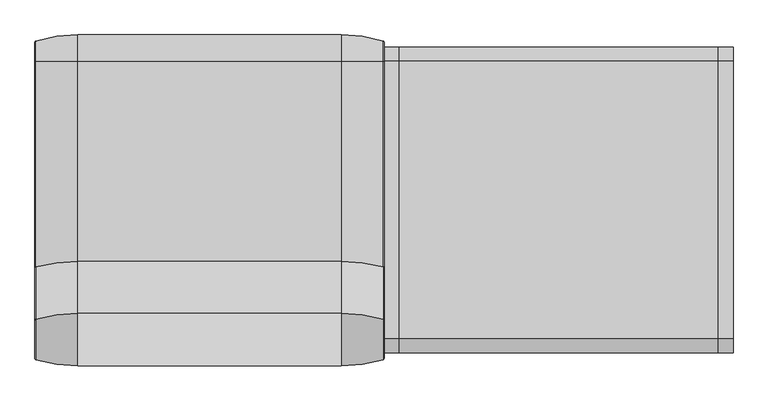
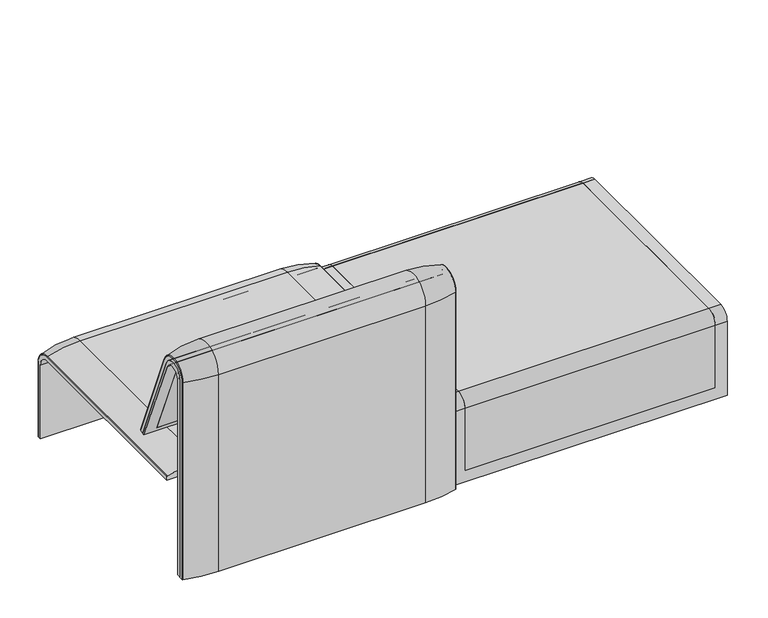
"""IFC4 building model written with IfcOpenShell, lengths in millimetres: furniture geometry."""

from ifc_helpers import new_model, si_unit, point, frame, frame_2d, origin, place, context, project, spatial, polyline, circle_curve, ellipse_curve, trimmed, segment, composite_curve, outline, extrude, source, transform, mapped, element, save
from ifc_brep_helpers import plane_surface, cylinder_surface, revolved_surface, advanced_brep


def furniture_5a15037f(model_context):
    return source(origin(), model_context, "Body", "SolidModel", [
        advanced_brep(
        [(-1223.9718733, 368.7793679, 100.5089435), (-1221.8332448, 371.6530483, 100.5089435), (-1123.9718733, 386.0043559, 100.5089435), (-507.9906244, 386.0043559, 100.5089435), (-410.1292529, 371.6530483, 100.5089435), (-407.9906244, 368.7793679, 100.5089435), (-407.9906244, 357.5, 100.5089435), (-1223.9718733, 357.5, 100.5089435), (-1223.9718733, -295.0, 377.4518019), (-1223.9718733, -295.0, 366.172434), (-407.9906244, -295.0, 366.172434), (-407.9906244, -295.0, 377.4518019), (-410.1292529, -295.0, 380.3254823), (-507.9906244, -295.0, 394.67679), (-1123.9718733, -295.0, 394.67679), (-1221.8332448, -295.0, 380.3254823), (-1223.9718733, 357.5, 333.0583003), (-1223.9718733, 324.3858663, 366.172434), (-1223.9718733, 324.3858663, 377.4518019), (-1223.9718733, 368.7793679, 333.0583003), (-407.9906244, 357.5, 333.0583003), (-1123.9718733, 386.0043559, 333.0583003), (-507.9906244, 386.0043559, 333.0583003), (-1221.8332448, 371.6530483, 333.0583003), (-407.9906244, 324.3858663, 366.172434), (-1123.9718733, 324.3858663, 394.67679), (-507.9906244, 324.3858663, 394.67679), (-1221.8332448, 324.3858663, 380.3254823), (-407.9906244, 368.7793679, 333.0583003), (-407.9906244, 324.3858663, 377.4518019), (-410.1292529, 371.6530483, 333.0583003), (-410.1292529, 324.3858663, 380.3254823)],
        [
            (0, 1, circle_curve(frame((-1220.9718733, 368.7793679, 100.5089435), z_axis=(0.0, 0.0, -1.0), x_axis=(1.0, 0.0, 0.0)), 3.0)),
            (1, 2, circle_curve(frame((-1123.9718733, 45.1710226, 100.5089435), z_axis=(0.0, 0.0, -1.0), x_axis=(0.0, -1.0, 0.0)), 340.8333333)),
            (2, 3),
            (3, 4, circle_curve(frame((-507.9906244, 45.1710226, 100.5089435), z_axis=(0.0, 0.0, -1.0), x_axis=(0.0, -1.0, 0.0)), 340.8333333)),
            (4, 5, circle_curve(frame((-410.9906244, 368.7793679, 100.5089435), z_axis=(0.0, 0.0, -1.0), x_axis=(-1.0, 0.0, 0.0)), 3.0)),
            (5, 6),
            (6, 7),
            (7, 0),
            (8, 9),
            (9, 10),
            (10, 11),
            (11, 12, circle_curve(frame((-410.9906244, -295.0, 377.4518019), z_axis=(0.0, -1.0, 0.0), x_axis=(-1.0, 0.0, 0.0)), 3.0)),
            (12, 13, circle_curve(frame((-507.9906244, -295.0, 53.8434566), z_axis=(0.0, -1.0, 0.0), x_axis=(0.0, 0.0, -1.0)), 340.8333333)),
            (13, 14),
            (14, 15, circle_curve(frame((-1123.9718733, -295.0, 53.8434566), z_axis=(0.0, -1.0, 0.0), x_axis=(0.0, 0.0, -1.0)), 340.8333333)),
            (15, 8, circle_curve(frame((-1220.9718733, -295.0, 377.4518019), z_axis=(0.0, -1.0, 0.0), x_axis=(1.0, 0.0, 0.0)), 3.0)),
            (7, 16),
            (16, 17, circle_curve(frame((-1223.9718733, 324.3858663, 333.0583003), z_axis=(1.0, 0.0, 0.0), x_axis=(0.0, 1.0, 0.0)), 33.1141337)),
            (17, 9),
            (8, 18),
            (18, 19, circle_curve(frame((-1223.9718733, 324.3858663, 333.0583003), z_axis=(-1.0, 0.0, 0.0), x_axis=(0.0, 1.0, 0.0)), 44.3935016)),
            (19, 0),
            (6, 20),
            (20, 16),
            (2, 21),
            (21, 22),
            (22, 3),
            (1, 23),
            (23, 21, circle_curve(frame((-1123.9718733, 45.1710226, 333.0583003), z_axis=(0.0, 0.0, -1.0), x_axis=(0.0, -1.0, 0.0)), 340.8333333)),
            (19, 23, circle_curve(frame((-1220.9718733, 368.7793679, 333.0583003), z_axis=(0.0, 0.0, -1.0), x_axis=(1.0, 0.0, 0.0)), 3.0)),
            (24, 17),
            (20, 24, circle_curve(frame((-407.9906244, 324.3858663, 333.0583003), z_axis=(1.0, 0.0, 0.0), x_axis=(0.0, 1.0, 0.0)), 33.1141337)),
            (25, 26),
            (26, 22, circle_curve(frame((-507.9906244, 324.3858663, 333.0583003), z_axis=(-1.0, 0.0, 0.0), x_axis=(0.0, 1.0, 0.0)), 61.6184897)),
            (21, 25, circle_curve(frame((-1123.9718733, 324.3858663, 333.0583003), z_axis=(1.0, 0.0, 0.0), x_axis=(0.0, 1.0, 0.0)), 61.6184897)),
            (27, 25, circle_curve(frame((-1123.9718733, 324.3858663, 53.8434566), z_axis=(0.0, 1.0, 0.0), x_axis=(0.0, 0.0, -1.0)), 340.8333333)),
            (23, 27, circle_curve(frame((-1221.8332448, 324.3858663, 333.0583003), z_axis=(1.0, 0.0, 0.0), x_axis=(0.0, 1.0, 0.0)), 47.267182)),
            (18, 27, circle_curve(frame((-1220.9718733, 324.3858663, 377.4518019), z_axis=(0.0, 1.0, 0.0), x_axis=(1.0, 0.0, 0.0)), 3.0)),
            (24, 10),
            (25, 14),
            (13, 26),
            (27, 15),
            (5, 28),
            (28, 29, circle_curve(frame((-407.9906244, 324.3858663, 333.0583003), z_axis=(1.0, 0.0, 0.0), x_axis=(0.0, 1.0, 0.0)), 44.3935016)),
            (29, 11),
            (4, 30),
            (30, 28, circle_curve(frame((-410.9906244, 368.7793679, 333.0583003), z_axis=(0.0, 0.0, -1.0), x_axis=(-1.0, 0.0, 0.0)), 3.0)),
            (22, 30, circle_curve(frame((-507.9906244, 45.1710226, 333.0583003), z_axis=(0.0, 0.0, -1.0), x_axis=(0.0, -1.0, 0.0)), 340.8333333)),
            (31, 29, circle_curve(frame((-410.9906244, 324.3858663, 377.4518019), z_axis=(0.0, 1.0, 0.0), x_axis=(-1.0, 0.0, 0.0)), 3.0)),
            (30, 31, circle_curve(frame((-410.1292529, 324.3858663, 333.0583003), z_axis=(1.0, 0.0, 0.0), x_axis=(0.0, 1.0, 0.0)), 47.267182)),
            (26, 31, circle_curve(frame((-507.9906244, 324.3858663, 53.8434566), z_axis=(0.0, 1.0, 0.0), x_axis=(0.0, 0.0, -1.0)), 340.8333333)),
            (31, 12),
        ],
        [
            plane_surface(frame((-1223.9718733, 357.5, 100.5089435), z_axis=(0.0, 0.0, -1.0), x_axis=(1.0, 0.0, 0.0))),
            plane_surface(frame((-1223.9718733, -295.0, 366.172434), z_axis=(0.0, -1.0, 0.0), x_axis=(1.0, 0.0, 0.0))),
            plane_surface(frame((-1223.9718733, 368.7793679, 100.5089435), z_axis=(-1.0, 0.0, 0.0), x_axis=(0.0, 0.0, 1.0))),
            plane_surface(frame((-1223.9718733, 357.5, 100.5089435), z_axis=(0.0, -1.0, 0.0), x_axis=(0.0, 0.0, 1.0))),
            plane_surface(frame((-507.9906244, 386.0043559, 100.5089435), z_axis=(0.0, 1.0, 0.0), x_axis=(0.0, 0.0, 1.0))),
            cylinder_surface(frame((-1123.9718733, 45.1710226, 100.5089435), z_axis=(0.0, 0.0, -1.0), x_axis=(0.0, -1.0, 0.0)), 340.8333333),
            cylinder_surface(frame((-1220.9718733, 368.7793679, 100.5089435), z_axis=(0.0, 0.0, -1.0), x_axis=(1.0, 0.0, 0.0)), 3.0),
            revolved_surface(polyline([(-1223.9718733, 357.5, 333.0583003), (-407.9906244, 357.5, 333.0583003)]), (-1223.9718733, 324.3858663, 333.0583003), (-1.0, 0.0, 0.0)),
            cylinder_surface(frame((-1223.9718733, 324.3858663, 333.0583003), z_axis=(-1.0, 0.0, 0.0), x_axis=(0.0, 1.0, 0.0)), 61.6184897),
            revolved_surface(trimmed(ellipse_curve(frame((-1123.9718733, 45.1710226, 333.0583003), z_axis=(0.0, 0.0, 1.0), x_axis=(0.0, -1.0, 0.0)), 340.8333333, 340.8333333), [point((-1123.9718733, 386.0043559, 333.0583003))], [point((-1221.8332448, 371.6530483, 333.0583003))], True, "CARTESIAN"), (-1223.9718733, 324.3858663, 333.0583003), (-1.0, 0.0, 0.0)),
            revolved_surface(trimmed(ellipse_curve(frame((-1220.9718733, 368.7793679, 333.0583003), z_axis=(0.0, 0.0, 1.0), x_axis=(1.0, 0.0, 0.0)), 3.0, 3.0), [point((-1221.8332448, 371.6530483, 333.0583003))], [point((-1223.9718733, 368.7793679, 333.0583003))], True, "CARTESIAN"), (-1223.9718733, 324.3858663, 333.0583003), (-1.0, 0.0, 0.0)),
            plane_surface(frame((-1223.9718733, 324.3858663, 366.172434), z_axis=(0.0, 0.0, -1.0), x_axis=(0.0, -1.0, 0.0))),
            plane_surface(frame((-507.9906244, 324.3858663, 394.67679), z_axis=(0.0, 0.0, 1.0), x_axis=(0.0, -1.0, 0.0))),
            cylinder_surface(frame((-1123.9718733, 324.3858663, 53.8434566), z_axis=(0.0, 1.0, 0.0), x_axis=(0.0, 0.0, -1.0)), 340.8333333),
            cylinder_surface(frame((-1220.9718733, 324.3858663, 377.4518019), z_axis=(0.0, 1.0, 0.0), x_axis=(1.0, 0.0, 0.0)), 3.0),
            plane_surface(frame((-407.9906244, 357.5, 100.5089435), z_axis=(1.0, 0.0, 0.0), x_axis=(0.0, 0.0, 1.0))),
            cylinder_surface(frame((-410.9906244, 368.7793679, 100.5089435), z_axis=(0.0, 0.0, -1.0), x_axis=(-1.0, 0.0, 0.0)), 3.0),
            cylinder_surface(frame((-507.9906244, 45.1710226, 100.5089435), z_axis=(0.0, 0.0, -1.0), x_axis=(0.0, -1.0, 0.0)), 340.8333333),
            revolved_surface(trimmed(ellipse_curve(frame((-410.9906244, 368.7793679, 333.0583003), z_axis=(0.0, 0.0, 1.0), x_axis=(-1.0, 0.0, 0.0)), 3.0, 3.0), [point((-407.9906244, 368.7793679, 333.0583003))], [point((-410.1292529, 371.6530483, 333.0583003))], True, "CARTESIAN"), (-1223.9718733, 324.3858663, 333.0583003), (-1.0, 0.0, 0.0)),
            revolved_surface(trimmed(ellipse_curve(frame((-507.9906244, 45.1710226, 333.0583003), z_axis=(0.0, 0.0, 1.0), x_axis=(0.0, -1.0, 0.0)), 340.8333333, 340.8333333), [point((-410.1292529, 371.6530483, 333.0583003))], [point((-507.9906244, 386.0043559, 333.0583003))], True, "CARTESIAN"), (-1223.9718733, 324.3858663, 333.0583003), (-1.0, 0.0, 0.0)),
            cylinder_surface(frame((-410.9906244, 324.3858663, 377.4518019), z_axis=(0.0, 1.0, 0.0), x_axis=(-1.0, 0.0, 0.0)), 3.0),
            cylinder_surface(frame((-507.9906244, 324.3858663, 53.8434566), z_axis=(0.0, 1.0, 0.0), x_axis=(0.0, 0.0, -1.0)), 340.8333333),
        ],
        [
            (0, [[1, 2, 3, 4, 5, 6, 7, 8]]),
            (1, [[9, 10, 11, 12, 13, 14, 15, 16]]),
            (2, [[17, 18, 19, -9, 20, 21, 22, -8]]),
            (3, [[23, 24, -17, -7]]),
            (4, [[25, 26, 27, -3]]),
            (5, [[28, 29, -25, -2]]),
            (6, [[-22, 30, -28, -1]]),
            (7, [[31, -18, -24, 32]]),
            (8, [[33, 34, -26, 35]]),
            (9, [[36, -35, -29, 37]]),
            (10, [[38, -37, -30, -21]]),
            (11, [[39, -10, -19, -31]]),
            (12, [[40, -14, 41, -33]]),
            (13, [[42, -15, -40, -36]]),
            (14, [[-20, -16, -42, -38]]),
            (15, [[43, 44, 45, -11, -39, -32, -23, -6]]),
            (16, [[46, 47, -43, -5]]),
            (17, [[-27, 48, -46, -4]]),
            (18, [[49, -44, -47, 50]]),
            (19, [[51, -50, -48, -34]]),
            (20, [[52, -12, -45, -49]]),
            (21, [[-41, -13, -52, -51]]),
        ],
    ),
        advanced_brep(
        [(-407.9740803, -351.0000061, 101.8476716), (-407.9740803, -351.0000061, 712.9272623), (-407.9740803, -296.2720241, 723.9759107), (-407.9740803, -175.0204081, 435.9866665), (-407.9740803, -170.1966807, 437.98305), (-407.9740803, -292.4403877, 733.7122262), (-407.9740803, -359.7858817, 720.3417731), (-407.9740803, -359.7858817, 101.8476716), (-1223.9553291, -351.0000061, 101.8476716), (-1223.9553291, -359.7858817, 101.8476716), (-1223.9553291, -359.7858817, 720.3417731), (-1223.9553291, -292.4403877, 733.7122262), (-1223.9553291, -170.1966807, 437.98305), (-1223.9553291, -175.0204081, 435.9866665), (-1223.9553291, -296.2458652, 723.9869215), (-1223.9553291, -351.0000061, 712.9272623), (-1189.0718733, -292.4403877, 733.7122262), (-1189.0718733, -176.0980387, 452.25948), (-442.8906244, -176.0980387, 452.25948), (-442.8906244, -292.4403877, 733.7122262), (-442.8906244, -296.2458652, 723.9869215), (-442.8906244, -181.0136548, 450.2250668), (-1189.0718733, -181.0136548, 450.2250668), (-1189.0718733, -296.2458652, 723.9869215), (-1189.0718733, -351.0000061, 712.9272623), (-1189.0718733, -351.0000061, 135.3766997), (-442.8906244, -351.0000061, 135.3766997), (-442.8906244, -351.0000061, 712.9272623), (-442.8906244, -359.7858817, 720.3417731), (-442.8906244, -359.7858817, 135.3766997), (-1189.0718733, -359.7858817, 135.3766997), (-1189.0718733, -359.7858817, 720.3417731)],
        [
            (0, 1),
            (1, 2, circle_curve(frame((-407.9740803, -322.520748, 712.9272623), z_axis=(-1.0, 0.0, 0.0), x_axis=(0.0, 1.0, 0.0)), 28.479258)),
            (2, 3),
            (3, 4),
            (4, 5),
            (5, 6, circle_curve(frame((-407.9740803, -324.7858817, 720.3417731), z_axis=(1.0, 0.0, 0.0), x_axis=(0.0, 1.0, 0.0)), 35.0)),
            (6, 7),
            (7, 0),
            (8, 9),
            (9, 10),
            (10, 11, circle_curve(frame((-1223.9553291, -324.7858817, 720.3417731), z_axis=(-1.0, 0.0, 0.0), x_axis=(0.0, 1.0, 0.0)), 35.0)),
            (11, 12),
            (12, 13),
            (13, 14),
            (14, 15, circle_curve(frame((-1223.9553291, -322.520748, 712.9272623), z_axis=(1.0, 0.0, 0.0), x_axis=(0.0, 1.0, 0.0)), 28.479258)),
            (15, 8),
            (4, 12),
            (11, 16),
            (16, 17),
            (17, 18),
            (18, 19),
            (19, 5),
            (3, 13),
            (2, 20),
            (20, 21),
            (21, 22),
            (22, 23),
            (23, 14),
            (0, 8),
            (15, 24),
            (24, 25),
            (25, 26),
            (26, 27),
            (27, 1),
            (7, 9),
            (6, 28),
            (28, 29),
            (29, 30),
            (30, 31),
            (31, 10),
            (19, 28, circle_curve(frame((-442.8906244, -324.7858817, 720.3417731), z_axis=(1.0, 0.0, 0.0), x_axis=(0.0, 1.0, 0.0)), 35.0)),
            (31, 16, circle_curve(frame((-1189.0718733, -324.7858817, 720.3417731), z_axis=(-1.0, 0.0, 0.0), x_axis=(0.0, 1.0, 0.0)), 35.0)),
            (27, 20, circle_curve(frame((-442.8906244, -322.520748, 712.9272623), z_axis=(-1.0, 0.0, 0.0), x_axis=(0.0, 1.0, 0.0)), 28.479258)),
            (23, 24, circle_curve(frame((-1189.0718733, -322.520748, 712.9272623), z_axis=(1.0, 0.0, 0.0), x_axis=(0.0, 1.0, 0.0)), 28.479258)),
            (26, 29),
            (18, 21),
            (22, 17),
            (30, 25),
        ],
        [
            plane_surface(frame((-407.9740803, -359.7858817, 101.8476716), z_axis=(1.0, 0.0, 0.0), x_axis=(0.0, -1.0, 0.0))),
            plane_surface(frame((-1223.9553291, -359.7858817, 101.8476716), z_axis=(-1.0, 0.0, 0.0), x_axis=(0.0, 1.0, 0.0))),
            plane_surface(frame((-407.9740803, -292.4403877, 733.7122262), z_axis=(0.0, 0.9241569717933176, 0.3820129467515535), x_axis=(-1.0, 0.0, 0.0))),
            plane_surface(frame((-407.9740803, -170.1966807, 437.98305), z_axis=(0.0, 0.38241039441983893, -0.9239925812687368), x_axis=(-1.0, 0.0, 0.0))),
            plane_surface(frame((-407.9740803, -175.0204081, 435.9866665), z_axis=(0.0, -0.921678643444566, -0.3879542218073993), x_axis=(-1.0, 0.0, 0.0))),
            plane_surface(frame((-407.9740803, -351.0000061, 712.9272623), z_axis=(0.0, 1.0, 0.0), x_axis=(-1.0, 0.0, 0.0))),
            plane_surface(frame((-407.9740803, -351.0000061, 101.8476716), z_axis=(0.0, 0.0, -1.0), x_axis=(-1.0, 0.0, 0.0))),
            plane_surface(frame((-407.9740803, -359.7858817, 101.8476716), z_axis=(0.0, -1.0, 0.0), x_axis=(-1.0, 0.0, 0.0))),
            cylinder_surface(frame((-1223.9553291, -324.7858817, 720.3417731), z_axis=(1.0, 0.0, 0.0), x_axis=(0.0, 1.0, 0.0)), 35.0),
            revolved_surface(polyline([(-442.8906244, -294.04149, 712.9272623), (-407.97408029999997, -294.04149, 712.9272623)]), (-1223.9553291, -322.520748, 712.9272623), (-1.0, 0.0, 0.0)),
            revolved_surface(polyline([(-1223.9553291, -294.04149, 712.9272623), (-1189.0718733, -294.04149, 712.9272623)]), (-1223.9553291, -322.520748, 712.9272623), (-1.0, 0.0, 0.0)),
            plane_surface(frame((-442.8906244, -359.7858817, 135.3766997), z_axis=(-1.0, 0.0, 0.0), x_axis=(0.0, -1.0, 0.0))),
            plane_surface(frame((-1189.0718733, -359.7858817, 135.3766997), z_axis=(1.0, 0.0, 0.0), x_axis=(0.0, 1.0, 0.0))),
            plane_surface(frame((-442.8906244, -166.9120641, 456.0612553), z_axis=(0.0, -0.38241039441982605, 0.9239925812687422), x_axis=(-1.0, 0.0, 0.0))),
            plane_surface(frame((-442.8906244, -344.7858817, 135.3766997), z_axis=(0.0, 0.0, 1.0), x_axis=(-1.0, 0.0, 0.0))),
        ],
        [
            (0, [[1, 2, 3, 4, 5, 6, 7, 8]]),
            (1, [[9, 10, 11, 12, 13, 14, 15, 16]]),
            (2, [[17, -12, 18, 19, 20, 21, 22, -5]]),
            (3, [[23, -13, -17, -4]]),
            (4, [[24, 25, 26, 27, 28, -14, -23, -3]]),
            (5, [[29, -16, 30, 31, 32, 33, 34, -1]]),
            (6, [[35, -9, -29, -8]]),
            (7, [[36, 37, 38, 39, 40, -10, -35, -7]]),
            (8, [[-22, 41, -36, -6]]),
            (8, [[-40, 42, -18, -11]]),
            (9, [[-34, 43, -24, -2]]),
            (10, [[-28, 44, -30, -15]]),
            (11, [[-25, -43, -33, 45, -37, -41, -21, 46]]),
            (12, [[-31, -44, -27, 47, -19, -42, -39, 48]]),
            (13, [[-20, -47, -26, -46]]),
            (14, [[-32, -48, -38, -45]]),
        ],
    ),
        advanced_brep(
        [(-442.8906244, -351.0000061, 135.3766997), (-442.8906244, -351.0000061, 712.9272623), (-442.8906244, -296.2720241, 723.9759107), (-442.8906244, -181.0136548, 450.2250668), (-442.8906244, -176.0980387, 452.25948), (-442.8906244, -292.4403877, 733.7122262), (-442.8906244, -359.7858817, 720.3417731), (-442.8906244, -359.7858817, 135.3766997), (-1189.0718733, -351.0000061, 135.3766997), (-1189.0718733, -359.7858817, 135.3766997), (-1189.0718733, -359.7858817, 720.3417731), (-1189.0718733, -292.4403877, 733.7122262), (-1189.0718733, -176.0980387, 452.25948), (-1189.0718733, -181.0136548, 450.2250668), (-1189.0718733, -296.2458652, 723.9869215), (-1189.0718733, -351.0000061, 712.9272623)],
        [
            (0, 1),
            (1, 2, circle_curve(frame((-442.8906244, -322.520748, 712.9272623), z_axis=(-1.0, 0.0, 0.0), x_axis=(0.0, 1.0, 0.0)), 28.479258)),
            (2, 3),
            (3, 4),
            (4, 5),
            (5, 6, circle_curve(frame((-442.8906244, -324.7858817, 720.3417731), z_axis=(1.0, 0.0, 0.0), x_axis=(0.0, 1.0, 0.0)), 35.0)),
            (6, 7),
            (7, 0),
            (8, 9),
            (9, 10),
            (10, 11, circle_curve(frame((-1189.0718733, -324.7858817, 720.3417731), z_axis=(-1.0, 0.0, 0.0), x_axis=(0.0, 1.0, 0.0)), 35.0)),
            (11, 12),
            (12, 13),
            (13, 14),
            (14, 15, circle_curve(frame((-1189.0718733, -322.520748, 712.9272623), z_axis=(1.0, 0.0, 0.0), x_axis=(0.0, 1.0, 0.0)), 28.479258)),
            (15, 8),
            (4, 12),
            (11, 5),
            (3, 13),
            (2, 14),
            (0, 8),
            (15, 1),
            (7, 9),
            (6, 10),
        ],
        [
            plane_surface(frame((-442.8906244, -359.7858817, 135.3766997), z_axis=(1.0, 0.0, 0.0), x_axis=(0.0, -1.0, 0.0))),
            plane_surface(frame((-1189.0718733, -359.7858817, 135.3766997), z_axis=(-1.0, 0.0, 0.0), x_axis=(0.0, 1.0, 0.0))),
            plane_surface(frame((-442.8906244, -292.4403877, 733.7122262), z_axis=(0.0, 0.9241569717933176, 0.3820129467515535), x_axis=(-1.0, 0.0, 0.0))),
            plane_surface(frame((-442.8906244, -176.0980387, 452.25948), z_axis=(0.0, 0.38241039441982716, -0.9239925812687417), x_axis=(-1.0, 0.0, 0.0))),
            plane_surface(frame((-442.8906244, -181.0136548, 450.2250668), z_axis=(0.0, -0.921678643444566, -0.3879542218073993), x_axis=(-1.0, 0.0, 0.0))),
            plane_surface(frame((-442.8906244, -351.0000061, 712.9272623), z_axis=(0.0, 1.0, 0.0), x_axis=(-1.0, 0.0, 0.0))),
            plane_surface(frame((-442.8906244, -351.0000061, 135.3766997), z_axis=(0.0, 0.0, -1.0), x_axis=(-1.0, 0.0, 0.0))),
            plane_surface(frame((-442.8906244, -359.7858817, 135.3766997), z_axis=(0.0, -1.0, 0.0), x_axis=(-1.0, 0.0, 0.0))),
            cylinder_surface(frame((-1189.0718733, -324.7858817, 720.3417731), z_axis=(1.0, 0.0, 0.0), x_axis=(0.0, 1.0, 0.0)), 35.0),
            revolved_surface(polyline([(-1189.0718733, -294.04149, 712.9272623), (-442.8906244, -294.04149, 712.9272623)]), (-1189.0718733, -322.520748, 712.9272623), (-1.0, 0.0, 0.0)),
        ],
        [
            (0, [[1, 2, 3, 4, 5, 6, 7, 8]]),
            (1, [[9, 10, 11, 12, 13, 14, 15, 16]]),
            (2, [[17, -12, 18, -5]]),
            (3, [[19, -13, -17, -4]]),
            (4, [[20, -14, -19, -3]]),
            (5, [[21, -16, 22, -1]]),
            (6, [[23, -9, -21, -8]]),
            (7, [[24, -10, -23, -7]]),
            (8, [[-18, -11, -24, -6]]),
            (9, [[-22, -15, -20, -2]]),
        ],
    ),
        extrude(outline(composite_curve([segment(polyline([(-305.0000061, 349.9223263), (-285.0000061, 349.9223263)]), True, "CONTINUOUS"), segment(trimmed(circle_curve(frame_2d((-285.0000061, 359.9223263)), 10.0), [point((-285.0000061, 349.9223263))], [point((-275.0000061, 359.9223263))], True, "CARTESIAN"), True, "CONTINUOUS"), segment(polyline([(-275.0000061, 359.9223263), (-270.0000061, 359.9223263), (-270.0000061, 299.9223263), (-309.4476, 299.9223263)]), True, "CONTINUOUS"), segment(trimmed(circle_curve(frame_2d((-309.4476, 269.9223263)), 30.0), [point((-309.4476, 299.9223263))], [point((-339.4064861, 271.492405))], True, "CARTESIAN"), True, "CONTINUOUS"), segment(polyline([(-339.4064861, 271.492405), (-343.3075759, 197.0551771), (-351.0000061, 197.0551771), (-351.0000061, 712.9272623)]), True, "CONTINUOUS"), segment(trimmed(circle_curve(frame_2d((-322.520748, 712.9272623)), 28.479258), [point((-351.0000061, 712.9272623))], [point((-296.3054528, 724.0549949))], False, "CARTESIAN"), True, "CONTINUOUS"), segment(polyline([(-296.3054528, 724.0549949), (-213.7507451, 529.5682915), (-222.2725218, 526.5505721), (-238.0355877, 560.3545758)]), True, "CONTINUOUS"), segment(trimmed(circle_curve(frame_2d((-251.6302045, 554.0153019)), 15.0), [point((-238.0355877, 560.3545758))], [point((-257.4911714, 567.8228747))], True, "CARTESIAN"), True, "CONTINUOUS"), segment(polyline([(-257.4911714, 567.8228747), (-316.7219399, 542.6809051)]), True, "CONTINUOUS"), segment(trimmed(circle_curve(frame_2d((-305.0000061, 515.0657595)), 30.0), [point((-316.7219399, 542.6809051))], [point((-335.0000061, 515.0657595))], True, "CARTESIAN"), True, "CONTINUOUS"), segment(polyline([(-335.0000061, 515.0657595), (-335.0000061, 379.9223263)]), True, "CONTINUOUS"), segment(trimmed(circle_curve(frame_2d((-305.0000061, 379.9223263)), 30.0), [point((-335.0000061, 379.9223263))], [point((-305.0000061, 349.9223263))], True, "CARTESIAN"), True, "CONTINUOUS")], self_intersect=False), holes=[composite_curve([segment(trimmed(circle_curve(frame_2d((-319.9867182, 576.3274105)), 17.5132879), [point((-337.5000061, 576.3274105))], [point((-314.1406626, 559.8186587))], True, "CARTESIAN"), True, "CONTINUOUS"), segment(polyline([(-314.1406626, 559.8186587), (-265.0756376, 577.1934953)]), True, "CONTINUOUS"), segment(trimmed(circle_curve(frame_2d((-271.7517748, 596.0463251)), 20.0), [point((-265.0756376, 577.1934953))], [point((-253.6256191, 604.4986904))], True, "CARTESIAN"), True, "CONTINUOUS"), segment(polyline([(-253.6256191, 604.4986904), (-308.9053893, 723.0465402)]), True, "CONTINUOUS"), segment(trimmed(circle_curve(frame_2d((-322.5000061, 716.7072663)), 15.0), [point((-308.9053893, 723.0465402))], [point((-337.5000061, 716.7072663))], True, "CARTESIAN"), True, "CONTINUOUS"), segment(polyline([(-337.5000061, 716.7072663), (-337.5000061, 576.3274105)]), True, "CONTINUOUS")], self_intersect=False)]), frame((-570.986452, 0.0, 0.0), z_axis=(1.0, 0.0, 0.0), x_axis=(0.0, 1.0, 0.0)), (0.0, 0.0, 1.0), 40.0),
        advanced_brep(
        [(-507.9740803, -388.2902376, 100.5089435), (-1123.9884174, -388.2902376, 100.5089435), (-1221.8497889, -373.93893, 100.5089435), (-1223.9884174, -371.0652495, 100.5089435), (-1223.9884174, -359.7858817, 100.5089435), (-407.9740803, -359.7858817, 100.5089435), (-407.9740803, -371.0652495, 100.5089435), (-410.1127088, -373.93893, 100.5089435), (-507.9740803, -388.2902376, 720.3417731), (-1123.9884174, -388.2902376, 720.3417731), (-410.1127088, -373.93893, 720.3417731), (-407.9740803, -371.0652495, 720.3417731), (-407.9740803, -359.7858817, 720.3417731), (-407.9740803, -292.4403877, 733.7122262), (-407.9740803, -170.1962447, 437.9819952), (-407.9740803, -159.7723383, 442.2908598), (-407.9740803, -282.0164812, 738.0210907), (-1223.9884174, -359.7858817, 720.3417731), (-507.9740803, -143.8537454, 448.8710282), (-410.1127088, -157.1166065, 443.3886429), (-1223.9884174, -170.1962447, 437.9819952), (-1223.9884174, -159.7723383, 442.2908598), (-1221.8497889, -157.1166065, 443.3886429), (-1123.9884174, -143.8537454, 448.8710282), (-507.9740803, -266.0978884, 744.6012592), (-1123.9884174, -266.0978884, 744.6012592), (-410.1127088, -279.3607494, 739.1188739), (-1223.9884174, -292.4403877, 733.7122262), (-1223.9884174, -371.0652495, 720.3417731), (-1223.9884174, -282.0164812, 738.0210907), (-1221.8497889, -373.93893, 720.3417731), (-1221.8497889, -279.3607494, 739.1188739)],
        [
            (0, 1),
            (1, 2, circle_curve(frame((-1123.9884174, -47.4569043, 100.5089435), z_axis=(0.0, 0.0, -1.0), x_axis=(0.0, 1.0, 0.0)), 340.8333333)),
            (2, 3, circle_curve(frame((-1220.9884174, -371.0652495, 100.5089435), z_axis=(0.0, 0.0, -1.0), x_axis=(-1.0, 0.0, 0.0)), 3.0)),
            (3, 4),
            (4, 5),
            (5, 6),
            (6, 7, circle_curve(frame((-410.9740803, -371.0652495, 100.5089435), z_axis=(0.0, 0.0, -1.0), x_axis=(1.0, 0.0, 0.0)), 3.0)),
            (7, 0, circle_curve(frame((-507.9740803, -47.4569043, 100.5089435), z_axis=(0.0, 0.0, -1.0), x_axis=(0.0, 1.0, 0.0)), 340.8333333)),
            (0, 8),
            (8, 9),
            (9, 1),
            (7, 10),
            (10, 8, circle_curve(frame((-507.9740803, -47.4569043, 720.3417731), z_axis=(0.0, 0.0, -1.0), x_axis=(0.0, 1.0, 0.0)), 340.8333333)),
            (6, 11),
            (11, 10, circle_curve(frame((-410.9740803, -371.0652495, 720.3417731), z_axis=(0.0, 0.0, -1.0), x_axis=(1.0, 0.0, 0.0)), 3.0)),
            (5, 12),
            (12, 13, circle_curve(frame((-407.9740803, -324.7858817, 720.3417731), z_axis=(-1.0, 0.0, 0.0), x_axis=(0.0, -1.0, 0.0)), 35.0)),
            (13, 14),
            (14, 15),
            (15, 16),
            (16, 11, circle_curve(frame((-407.9740803, -324.7858817, 720.3417731), z_axis=(1.0, 0.0, 0.0), x_axis=(0.0, -1.0, 0.0)), 46.2793679)),
            (4, 17),
            (17, 12),
            (18, 19, circle_curve(frame((-507.9740803, -458.8372467, 318.6682822), z_axis=(0.0, 0.38201294675155345, -0.9241569717933176), x_axis=(0.0, -0.9241569717933176, -0.38201294675155345)), 340.8333333)),
            (19, 15, circle_curve(frame((-410.9740803, -159.7723383, 442.2908598), z_axis=(0.0, 0.38201294675155345, -0.9241569717933176), x_axis=(1.0, 0.0, 0.0)), 3.0)),
            (14, 20),
            (20, 21),
            (21, 22, circle_curve(frame((-1220.9884174, -159.7723383, 442.2908598), z_axis=(0.0, 0.38201294675155345, -0.9241569717933176), x_axis=(-1.0, 0.0, 0.0)), 3.0)),
            (22, 23, circle_curve(frame((-1123.9884174, -458.8372467, 318.6682822), z_axis=(0.0, 0.38201294675155345, -0.9241569717933176), x_axis=(0.0, -0.9241569717933176, -0.38201294675155345)), 340.8333333)),
            (23, 18),
            (24, 25),
            (25, 9, circle_curve(frame((-1123.9884174, -324.7858817, 720.3417731), z_axis=(1.0, 0.0, 0.0), x_axis=(0.0, -1.0, 0.0)), 63.5043559)),
            (8, 24, circle_curve(frame((-507.9740803, -324.7858817, 720.3417731), z_axis=(-1.0, 0.0, 0.0), x_axis=(0.0, -1.0, 0.0)), 63.5043559)),
            (26, 24, circle_curve(frame((-507.9740803, -581.0813896, 614.3985132), z_axis=(0.0, -0.3820129467515544, 0.9241569717933172), x_axis=(0.0, -0.9241569717933172, -0.3820129467515544)), 340.8333333)),
            (10, 26, circle_curve(frame((-410.1127088, -324.7858817, 720.3417731), z_axis=(-1.0, 0.0, 0.0), x_axis=(0.0, -1.0, 0.0)), 49.1530483)),
            (16, 26, circle_curve(frame((-410.9740803, -282.0164812, 738.0210907), z_axis=(0.0, -0.38201294675155356, 0.9241569717933176), x_axis=(1.0, 0.0, 0.0)), 3.0)),
            (27, 13),
            (17, 27, circle_curve(frame((-1223.9884174, -324.7858817, 720.3417731), z_axis=(-1.0, 0.0, 0.0), x_axis=(0.0, -1.0, 0.0)), 35.0)),
            (24, 18),
            (23, 25),
            (26, 19),
            (27, 20),
            (3, 28),
            (28, 29, circle_curve(frame((-1223.9884174, -324.7858817, 720.3417731), z_axis=(-1.0, 0.0, 0.0), x_axis=(0.0, -1.0, 0.0)), 46.2793679)),
            (29, 21),
            (2, 30),
            (30, 28, circle_curve(frame((-1220.9884174, -371.0652495, 720.3417731), z_axis=(0.0, 0.0, -1.0), x_axis=(-1.0, 0.0, 0.0)), 3.0)),
            (9, 30, circle_curve(frame((-1123.9884174, -47.4569043, 720.3417731), z_axis=(0.0, 0.0, -1.0), x_axis=(0.0, 1.0, 0.0)), 340.8333333)),
            (31, 29, circle_curve(frame((-1220.9884174, -282.0164812, 738.0210907), z_axis=(0.0, -0.3820129467515556, 0.9241569717933167), x_axis=(-1.0, 0.0, 0.0)), 3.0)),
            (30, 31, circle_curve(frame((-1221.8497889, -324.7858817, 720.3417731), z_axis=(-1.0, 0.0, 0.0), x_axis=(0.0, -1.0, 0.0)), 49.1530483)),
            (25, 31, circle_curve(frame((-1123.9884174, -581.0813896, 614.3985132), z_axis=(0.0, -0.382012946751556, 0.9241569717933165), x_axis=(0.0, -0.9241569717933165, -0.382012946751556)), 340.8333333)),
            (31, 22),
        ],
        [
            plane_surface(frame((-811.2162256, -359.7858817, 100.5089435), z_axis=(0.0, 0.0, -1.0), x_axis=(1.0, 0.0, 0.0))),
            plane_surface(frame((-1123.9884174, -388.2902376, 100.5089435), z_axis=(0.0, -1.0, 0.0), x_axis=(0.0, 0.0, 1.0))),
            cylinder_surface(frame((-507.9740803, -47.4569043, 100.5089435), z_axis=(0.0, 0.0, -1.0), x_axis=(0.0, 1.0, 0.0)), 340.8333333),
            cylinder_surface(frame((-410.9740803, -371.0652495, 100.5089435), z_axis=(0.0, 0.0, -1.0), x_axis=(1.0, 0.0, 0.0)), 3.0),
            plane_surface(frame((-407.9740803, -371.0652495, 100.5089435), z_axis=(1.0, 0.0, 0.0), x_axis=(0.0, 0.0, 1.0))),
            plane_surface(frame((-407.9740803, -359.7858817, 100.5089435), z_axis=(0.0, 1.0, 0.0), x_axis=(0.0, 0.0, 1.0))),
            plane_surface(frame((-811.2162256, -170.1962447, 437.9819952), z_axis=(0.0, 0.38201294675155345, -0.9241569717933176), x_axis=(1.0, 0.0, 0.0))),
            cylinder_surface(frame((-811.2162256, -324.7858817, 720.3417731), z_axis=(1.0, 0.0, 0.0), x_axis=(0.0, -1.0, 0.0)), 63.5043559),
            revolved_surface(trimmed(ellipse_curve(frame((-507.9740803, -47.4569043, 720.3417731), z_axis=(0.0, 0.0, 1.0), x_axis=(0.0, 1.0, 0.0)), 340.8333333, 340.8333333), [point((-507.9740803, -388.2902376, 720.3417731))], [point((-410.1127088, -373.93893, 720.3417731))], True, "CARTESIAN"), (-811.2162256, -324.7858817, 720.3417731), (1.0, 0.0, 0.0)),
            revolved_surface(trimmed(ellipse_curve(frame((-410.9740803, -371.0652495, 720.3417731), z_axis=(0.0, 0.0, 1.0), x_axis=(1.0, 0.0, 0.0)), 3.0, 3.0), [point((-410.1127088, -373.93893, 720.3417731))], [point((-407.9740803, -371.0652495, 720.3417731))], True, "CARTESIAN"), (-811.2162256, -324.7858817, 720.3417731), (1.0, 0.0, 0.0)),
            revolved_surface(polyline([(-407.9740803, -359.7858817, 720.3417731), (-1223.9884174, -359.7858817, 720.3417731)]), (-811.2162256, -324.7858817, 720.3417731), (1.0, 0.0, 0.0)),
            plane_surface(frame((-1123.9884174, -266.0978884, 744.6012592), z_axis=(0.0, 0.9241569717933176, 0.38201294675155356), x_axis=(0.0, 0.38201294675155356, -0.9241569717933176))),
            cylinder_surface(frame((-507.9740803, -581.0813896, 614.3985132), z_axis=(0.0, -0.38201294675155345, 0.9241569717933176), x_axis=(0.0, -0.9241569717933176, -0.38201294675155345)), 340.8333333),
            cylinder_surface(frame((-410.9740803, -282.0164812, 738.0210907), z_axis=(0.0, -0.38201294675155345, 0.9241569717933176), x_axis=(1.0, 0.0, 0.0)), 3.0),
            plane_surface(frame((-407.9740803, -292.4403877, 733.7122262), z_axis=(0.0, -0.9241569717933176, -0.38201294675155356), x_axis=(0.0, 0.38201294675155356, -0.9241569717933176))),
            plane_surface(frame((-1223.9884174, -359.7858817, 100.5089435), z_axis=(-1.0, 0.0, 0.0), x_axis=(0.0, 0.0, 1.0))),
            cylinder_surface(frame((-1220.9884174, -371.0652495, 100.5089435), z_axis=(0.0, 0.0, -1.0), x_axis=(-1.0, 0.0, 0.0)), 3.0),
            cylinder_surface(frame((-1123.9884174, -47.4569043, 100.5089435), z_axis=(0.0, 0.0, -1.0), x_axis=(0.0, 1.0, 0.0)), 340.8333333),
            revolved_surface(trimmed(ellipse_curve(frame((-1220.9884174, -371.0652495, 720.3417731), z_axis=(0.0, 0.0, 1.0), x_axis=(-1.0, 0.0, 0.0)), 3.0, 3.0), [point((-1223.9884174, -371.0652495, 720.3417731))], [point((-1221.8497889, -373.93893, 720.3417731))], True, "CARTESIAN"), (-811.2162256, -324.7858817, 720.3417731), (1.0, 0.0, 0.0)),
            revolved_surface(trimmed(ellipse_curve(frame((-1123.9884174, -47.4569043, 720.3417731), z_axis=(0.0, 0.0, 1.0), x_axis=(0.0, 1.0, 0.0)), 340.8333333, 340.8333333), [point((-1221.8497889, -373.93893, 720.3417731))], [point((-1123.9884174, -388.2902376, 720.3417731))], True, "CARTESIAN"), (-811.2162256, -324.7858817, 720.3417731), (1.0, 0.0, 0.0)),
            cylinder_surface(frame((-1220.9884174, -282.0164812, 738.0210907), z_axis=(0.0, -0.38201294675155345, 0.9241569717933176), x_axis=(-1.0, 0.0, 0.0)), 3.0),
            cylinder_surface(frame((-1123.9884174, -581.0813896, 614.3985132), z_axis=(0.0, -0.38201294675155345, 0.9241569717933176), x_axis=(0.0, -0.9241569717933176, -0.38201294675155345)), 340.8333333),
        ],
        [
            (0, [[1, 2, 3, 4, 5, 6, 7, 8]]),
            (1, [[9, 10, 11, -1]]),
            (2, [[12, 13, -9, -8]]),
            (3, [[14, 15, -12, -7]]),
            (4, [[16, 17, 18, 19, 20, 21, -14, -6]]),
            (5, [[22, 23, -16, -5]]),
            (6, [[24, 25, -19, 26, 27, 28, 29, 30]]),
            (7, [[31, 32, -10, 33]]),
            (8, [[34, -33, -13, 35]]),
            (9, [[36, -35, -15, -21]]),
            (10, [[37, -17, -23, 38]]),
            (11, [[39, -30, 40, -31]]),
            (12, [[41, -24, -39, -34]]),
            (13, [[-20, -25, -41, -36]]),
            (14, [[42, -26, -18, -37]]),
            (15, [[43, 44, 45, -27, -42, -38, -22, -4]]),
            (16, [[46, 47, -43, -3]]),
            (17, [[-11, 48, -46, -2]]),
            (18, [[49, -44, -47, 50]]),
            (19, [[51, -50, -48, -32]]),
            (20, [[52, -28, -45, -49]]),
            (21, [[-40, -29, -52, -51]]),
        ],
    ),
        extrude(outline(composite_curve([segment(polyline([(-305.0000061, 349.9223263), (-285.0000061, 349.9223263)]), True, "CONTINUOUS"), segment(trimmed(circle_curve(frame_2d((-285.0000061, 359.9223263)), 10.0), [point((-285.0000061, 349.9223263))], [point((-275.0000061, 359.9223263))], True, "CARTESIAN"), True, "CONTINUOUS"), segment(polyline([(-275.0000061, 359.9223263), (-270.0000061, 359.9223263), (-270.0000061, 299.9223263), (-309.4476, 299.9223263)]), True, "CONTINUOUS"), segment(trimmed(circle_curve(frame_2d((-309.4476, 269.9223263)), 30.0), [point((-309.4476, 299.9223263))], [point((-339.4064861, 271.492405))], True, "CARTESIAN"), True, "CONTINUOUS"), segment(polyline([(-339.4064861, 271.492405), (-343.3075759, 197.0551771), (-351.0000061, 197.0551771), (-351.0000061, 712.9272623)]), True, "CONTINUOUS"), segment(trimmed(circle_curve(frame_2d((-322.520748, 712.9272623)), 28.479258), [point((-351.0000061, 712.9272623))], [point((-296.3054528, 724.0549949))], False, "CARTESIAN"), True, "CONTINUOUS"), segment(polyline([(-296.3054528, 724.0549949), (-213.7507451, 529.5682915), (-222.2725218, 526.5505721), (-238.0355877, 560.3545758)]), True, "CONTINUOUS"), segment(trimmed(circle_curve(frame_2d((-251.6302045, 554.0153019)), 15.0), [point((-238.0355877, 560.3545758))], [point((-257.4911714, 567.8228747))], True, "CARTESIAN"), True, "CONTINUOUS"), segment(polyline([(-257.4911714, 567.8228747), (-316.7219399, 542.6809051)]), True, "CONTINUOUS"), segment(trimmed(circle_curve(frame_2d((-305.0000061, 515.0657595)), 30.0), [point((-316.7219399, 542.6809051))], [point((-335.0000061, 515.0657595))], True, "CARTESIAN"), True, "CONTINUOUS"), segment(polyline([(-335.0000061, 515.0657595), (-335.0000061, 379.9223263)]), True, "CONTINUOUS"), segment(trimmed(circle_curve(frame_2d((-305.0000061, 379.9223263)), 30.0), [point((-335.0000061, 379.9223263))], [point((-305.0000061, 349.9223263))], True, "CARTESIAN"), True, "CONTINUOUS")], self_intersect=False), holes=[composite_curve([segment(trimmed(circle_curve(frame_2d((-319.9867182, 576.3274105)), 17.5132879), [point((-337.5000061, 576.3274105))], [point((-314.1406626, 559.8186587))], True, "CARTESIAN"), True, "CONTINUOUS"), segment(polyline([(-314.1406626, 559.8186587), (-265.0756376, 577.1934953)]), True, "CONTINUOUS"), segment(trimmed(circle_curve(frame_2d((-271.7517748, 596.0463251)), 20.0), [point((-265.0756376, 577.1934953))], [point((-253.6256191, 604.4986904))], True, "CARTESIAN"), True, "CONTINUOUS"), segment(polyline([(-253.6256191, 604.4986904), (-308.9053893, 723.0465402)]), True, "CONTINUOUS"), segment(trimmed(circle_curve(frame_2d((-322.5000061, 716.7072663)), 15.0), [point((-308.9053893, 723.0465402))], [point((-337.5000061, 716.7072663))], True, "CARTESIAN"), True, "CONTINUOUS"), segment(polyline([(-337.5000061, 716.7072663), (-337.5000061, 576.3274105)]), True, "CONTINUOUS")], self_intersect=False)]), frame((-1100.9760457, 0.0, 0.0), z_axis=(1.0, 0.0, 0.0), x_axis=(0.0, 1.0, 0.0)), (0.0, 0.0, 1.0), 40.0),
        advanced_brep(
        [(-407.9906244, 323.7517936, 359.922434), (-407.9906244, -323.7517936, 359.922434), (-407.9906244, -351.0, 332.6742277), (-407.9906244, -351.0, 100.5089435), (-407.9906244, -357.5, 100.5089435), (-407.9906244, -357.5, 333.0583003), (-407.9906244, -324.3858663, 366.172434), (-407.9906244, 324.3858663, 366.172434), (-407.9906244, 357.5, 333.0583003), (-407.9906244, 357.5, 100.5089435), (-407.9906244, 351.0, 100.5089435), (-407.9906244, 351.0, 332.6742277), (407.9906244, 323.7517936, 359.922434), (407.9906244, 351.0, 332.6742277), (407.9906244, 351.0, 100.5089435), (407.9906244, 357.5, 100.5089435), (407.9906244, 357.5, 333.0583003), (407.9906244, 324.3858663, 366.172434), (407.9906244, -324.3858663, 366.172434), (407.9906244, -357.5, 333.0583003), (407.9906244, -357.5, 100.5089435), (407.9906244, -351.0, 100.5089435), (407.9906244, -351.0, 332.6742277), (407.9906244, -323.7517936, 359.922434), (-373.0906244, -324.3858663, 366.172434), (-373.0906244, 324.3858663, 366.172434), (373.0906244, 324.3858663, 366.172434), (373.0906244, -324.3858663, 366.172434), (-373.0906244, -357.5, 333.0583003), (373.0906244, -357.5, 333.0583003), (373.0906244, -357.5, 135.3766997), (-373.0906244, -357.5, 135.3766997), (-373.0906244, -351.0, 332.6742277), (-373.0906244, -351.0, 135.3766997), (373.0906244, -351.0, 135.3766997), (373.0906244, -351.0, 332.6742277), (-373.0906244, -323.7517936, 359.922434), (373.0906244, -323.7517936, 359.922434), (-373.0906244, 323.7517936, 359.922434), (373.0906244, 323.7517936, 359.922434), (-373.0906244, 357.5, 333.0583003), (373.0906244, 357.5, 333.0583003), (-373.0906244, 357.5, 135.3766997), (373.0906244, 357.5, 135.3766997), (373.0906244, 351.0, 332.6742277), (373.0906244, 351.0, 135.3766997), (-373.0906244, 351.0, 135.3766997), (-373.0906244, 351.0, 332.6742277)],
        [
            (0, 1),
            (1, 2, circle_curve(frame((-407.9906244, -323.7517936, 332.6742277), z_axis=(1.0, 0.0, 0.0), x_axis=(0.0, -1.0, 0.0)), 27.2482064)),
            (2, 3),
            (3, 4),
            (4, 5),
            (5, 6, circle_curve(frame((-407.9906244, -324.3858663, 333.0583003), z_axis=(-1.0, 0.0, 0.0), x_axis=(0.0, -1.0, 0.0)), 33.1141337)),
            (6, 7),
            (7, 8, circle_curve(frame((-407.9906244, 324.3858663, 333.0583003), z_axis=(-1.0, 0.0, 0.0), x_axis=(0.0, 1.0, 0.0)), 33.1141337)),
            (8, 9),
            (9, 10),
            (10, 11),
            (11, 0, circle_curve(frame((-407.9906244, 323.7517936, 332.6742277), z_axis=(1.0, 0.0, 0.0), x_axis=(0.0, 1.0, 0.0)), 27.2482064)),
            (12, 13, circle_curve(frame((407.9906244, 323.7517936, 332.6742277), z_axis=(-1.0, 0.0, 0.0), x_axis=(0.0, 1.0, 0.0)), 27.2482064)),
            (13, 14),
            (14, 15),
            (15, 16),
            (16, 17, circle_curve(frame((407.9906244, 324.3858663, 333.0583003), z_axis=(1.0, 0.0, 0.0), x_axis=(0.0, 1.0, 0.0)), 33.1141337)),
            (17, 18),
            (18, 19, circle_curve(frame((407.9906244, -324.3858663, 333.0583003), z_axis=(1.0, 0.0, 0.0), x_axis=(0.0, -1.0, 0.0)), 33.1141337)),
            (19, 20),
            (20, 21),
            (21, 22),
            (22, 23, circle_curve(frame((407.9906244, -323.7517936, 332.6742277), z_axis=(-1.0, 0.0, 0.0), x_axis=(0.0, -1.0, 0.0)), 27.2482064)),
            (23, 12),
            (6, 24),
            (24, 25),
            (25, 7),
            (17, 26),
            (26, 27),
            (27, 18),
            (5, 28),
            (28, 24, circle_curve(frame((-373.0906244, -324.3858663, 333.0583003), z_axis=(-1.0, 0.0, 0.0), x_axis=(0.0, -1.0, 0.0)), 33.1141337)),
            (27, 29, circle_curve(frame((373.0906244, -324.3858663, 333.0583003), z_axis=(1.0, 0.0, 0.0), x_axis=(0.0, -1.0, 0.0)), 33.1141337)),
            (29, 19),
            (4, 20),
            (29, 30),
            (30, 31),
            (31, 28),
            (3, 21),
            (2, 32),
            (32, 33),
            (33, 34),
            (34, 35),
            (35, 22),
            (1, 36),
            (36, 32, circle_curve(frame((-373.0906244, -323.7517936, 332.6742277), z_axis=(1.0, 0.0, 0.0), x_axis=(0.0, -1.0, 0.0)), 27.2482064)),
            (35, 37, circle_curve(frame((373.0906244, -323.7517936, 332.6742277), z_axis=(-1.0, 0.0, 0.0), x_axis=(0.0, -1.0, 0.0)), 27.2482064)),
            (37, 23),
            (0, 38),
            (38, 36),
            (37, 39),
            (39, 12),
            (25, 40, circle_curve(frame((-373.0906244, 324.3858663, 333.0583003), z_axis=(-1.0, 0.0, 0.0), x_axis=(0.0, 1.0, 0.0)), 33.1141337)),
            (40, 8),
            (16, 41),
            (41, 26, circle_curve(frame((373.0906244, 324.3858663, 333.0583003), z_axis=(1.0, 0.0, 0.0), x_axis=(0.0, 1.0, 0.0)), 33.1141337)),
            (40, 42),
            (42, 43),
            (43, 41),
            (15, 9),
            (14, 10),
            (13, 44),
            (44, 45),
            (45, 46),
            (46, 47),
            (47, 11),
            (47, 38, circle_curve(frame((-373.0906244, 323.7517936, 332.6742277), z_axis=(1.0, 0.0, 0.0), x_axis=(0.0, 1.0, 0.0)), 27.2482064)),
            (39, 44, circle_curve(frame((373.0906244, 323.7517936, 332.6742277), z_axis=(-1.0, 0.0, 0.0), x_axis=(0.0, 1.0, 0.0)), 27.2482064)),
            (46, 42),
            (31, 33),
            (34, 30),
            (43, 45),
        ],
        [
            plane_surface(frame((-407.9906244, -296.9265415, 359.922434), z_axis=(-1.0, 0.0, 0.0), x_axis=(0.0, -1.0, 0.0))),
            plane_surface(frame((407.9906244, -296.9265415, 359.922434), z_axis=(1.0, 0.0, 0.0), x_axis=(0.0, 1.0, 0.0))),
            plane_surface(frame((-407.9906244, -324.3858663, 366.172434), z_axis=(0.0, 0.0, 1.0), x_axis=(1.0, 0.0, 0.0))),
            cylinder_surface(frame((407.9906244, -324.3858663, 333.0583003), z_axis=(-1.0, 0.0, 0.0), x_axis=(0.0, -1.0, 0.0)), 33.1141337),
            plane_surface(frame((-407.9906244, -357.5, 100.5089435), z_axis=(0.0, -1.0, 0.0), x_axis=(1.0, 0.0, 0.0))),
            plane_surface(frame((-407.9906244, -351.0, 100.5089435), z_axis=(0.0, 0.0, -1.0), x_axis=(1.0, 0.0, 0.0))),
            plane_surface(frame((-407.9906244, -351.0, 332.6742277), z_axis=(0.0, 1.0, 0.0), x_axis=(1.0, 0.0, 0.0))),
            revolved_surface(polyline([(-373.0906244, -351.0, 332.6742277), (-407.9906244, -351.0, 332.6742277)]), (407.9906244, -323.7517936, 332.6742277), (1.0, 0.0, 0.0)),
            revolved_surface(polyline([(407.9906244, -351.0, 332.6742277), (373.0906244, -351.0, 332.6742277)]), (407.9906244, -323.7517936, 332.6742277), (1.0, 0.0, 0.0)),
            plane_surface(frame((-407.9906244, 323.7517936, 359.922434), z_axis=(0.0, 0.0, -1.0), x_axis=(1.0, 0.0, 0.0))),
            cylinder_surface(frame((407.9906244, 324.3858663, 333.0583003), z_axis=(-1.0, 0.0, 0.0), x_axis=(0.0, 1.0, 0.0)), 33.1141337),
            plane_surface(frame((-407.9906244, 357.5, 333.0583003), z_axis=(0.0, 1.0, 0.0), x_axis=(1.0, 0.0, 0.0))),
            plane_surface(frame((-407.9906244, 357.5, 100.5089435), z_axis=(0.0, 0.0, -1.0), x_axis=(1.0, 0.0, 0.0))),
            plane_surface(frame((-407.9906244, 351.0, 100.5089435), z_axis=(0.0, -1.0, 0.0), x_axis=(1.0, 0.0, 0.0))),
            revolved_surface(polyline([(-373.0906244, 351.0, 332.6742277), (-407.9906244, 351.0, 332.6742277)]), (407.9906244, 323.7517936, 332.6742277), (1.0, 0.0, 0.0)),
            revolved_surface(polyline([(407.9906244, 351.0, 332.6742277), (373.0906244, 351.0, 332.6742277)]), (407.9906244, 323.7517936, 332.6742277), (1.0, 0.0, 0.0)),
            plane_surface(frame((-373.0906244, -296.9265415, 359.922434), z_axis=(1.0, 0.0, 0.0), x_axis=(0.0, -1.0, 0.0))),
            plane_surface(frame((373.0906244, -296.9265415, 359.922434), z_axis=(-1.0, 0.0, 0.0), x_axis=(0.0, 1.0, 0.0))),
            plane_surface(frame((-373.0906244, -351.0, 135.3766997), z_axis=(0.0, 0.0, 1.0), x_axis=(1.0, 0.0, 0.0))),
            plane_surface(frame((-373.0906244, 357.5, 135.3766997), z_axis=(0.0, 0.0, 1.0), x_axis=(1.0, 0.0, 0.0))),
        ],
        [
            (0, [[1, 2, 3, 4, 5, 6, 7, 8, 9, 10, 11, 12]]),
            (1, [[13, 14, 15, 16, 17, 18, 19, 20, 21, 22, 23, 24]]),
            (2, [[-7, 25, 26, 27]]),
            (2, [[-18, 28, 29, 30]]),
            (3, [[-6, 31, 32, -25]]),
            (3, [[-19, -30, 33, 34]]),
            (4, [[-5, 35, -20, -34, 36, 37, 38, -31]]),
            (5, [[-4, 39, -21, -35]]),
            (6, [[-3, 40, 41, 42, 43, 44, -22, -39]]),
            (7, [[-2, 45, 46, -40]]),
            (8, [[-23, -44, 47, 48]]),
            (9, [[-1, 49, 50, -45]]),
            (9, [[-24, -48, 51, 52]]),
            (10, [[-8, -27, 53, 54]]),
            (10, [[-17, 55, 56, -28]]),
            (11, [[-9, -54, 57, 58, 59, -55, -16, 60]]),
            (12, [[-10, -60, -15, 61]]),
            (13, [[-11, -61, -14, 62, 63, 64, 65, 66]]),
            (14, [[-12, -66, 67, -49]]),
            (15, [[-13, -52, 68, -62]]),
            (16, [[69, -57, -53, -26, -32, -38, 70, -41, -46, -50, -67, -65]]),
            (17, [[71, -36, -33, -29, -56, -59, 72, -63, -68, -51, -47, -43]]),
            (18, [[-70, -37, -71, -42]]),
            (19, [[-69, -64, -72, -58]]),
        ],
    ),
        extrude(outline(composite_curve([segment(polyline([(323.7517936, 359.922434), (-323.7517936, 359.922434)]), True, "CONTINUOUS"), segment(trimmed(circle_curve(frame_2d((-323.7517936, 332.6742277)), 27.2482064), [point((-323.7517936, 359.922434))], [point((-351.0, 332.6742277))], True, "CARTESIAN"), True, "CONTINUOUS"), segment(polyline([(-351.0, 332.6742277), (-351.0, 135.3766997), (-357.5, 135.3766997), (-357.5, 333.0583003)]), True, "CONTINUOUS"), segment(trimmed(circle_curve(frame_2d((-324.3858663, 333.0583003)), 33.1141337), [point((-357.5, 333.0583003))], [point((-324.3858663, 366.172434))], False, "CARTESIAN"), True, "CONTINUOUS"), segment(polyline([(-324.3858663, 366.172434), (324.3858663, 366.172434)]), True, "CONTINUOUS"), segment(trimmed(circle_curve(frame_2d((324.3858663, 333.0583003)), 33.1141337), [point((324.3858663, 366.172434))], [point((357.5, 333.0583003))], False, "CARTESIAN"), True, "CONTINUOUS"), segment(polyline([(357.5, 333.0583003), (357.5, 135.3766997), (351.0, 135.3766997), (351.0, 332.6742277)]), True, "CONTINUOUS"), segment(trimmed(circle_curve(frame_2d((323.7517936, 332.6742277)), 27.2482064), [point((351.0, 332.6742277))], [point((323.7517936, 359.922434))], True, "CARTESIAN"), True, "CONTINUOUS")], self_intersect=False)), frame((-373.0906244, 0.0, 0.0), z_axis=(1.0, 0.0, 0.0), x_axis=(0.0, 1.0, 0.0)), (0.0, 0.0, 1.0), 746.1812488),
    ])


if __name__ == "__main__":
    model = new_model("IFC4")
    model_context = context("Model", 3, world=origin())
    ifc_project = project(units=[si_unit("LENGTHUNIT", "METRE", prefix="MILLI")], contexts=[model_context])
    site = spatial("IfcSite", under=ifc_project)
    building = spatial("IfcBuilding", under=site)
    placement = place(None, origin())
    furniture_shape = furniture_5a15037f(model_context)
    element("IfcFurniture", 1, at=placement, inside=building, context=model_context, shape_type="MappedRepresentation", body=[
        mapped(furniture_shape, transform((0.0, 0.0, 0.0), x_axis=(1.0, 0.0, 0.0), y_axis=(0.0, 1.0, 0.0), z_axis=(0.0, 0.0, 1.0))),
    ])
    save(model, "model.ifc")
